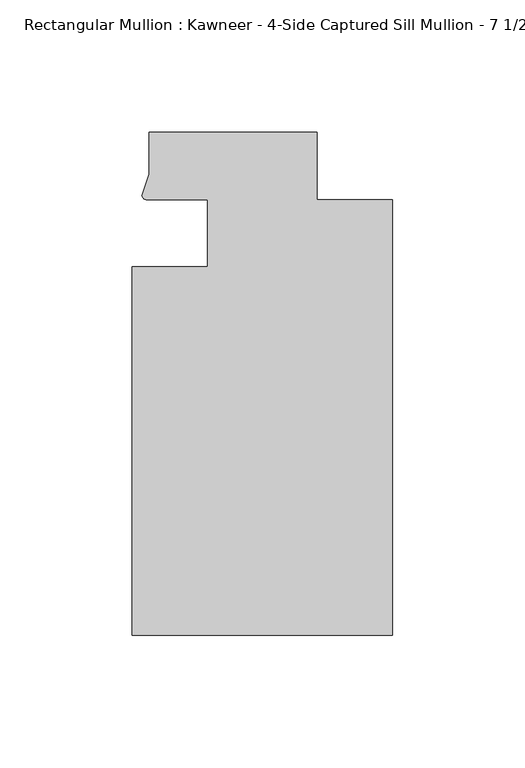
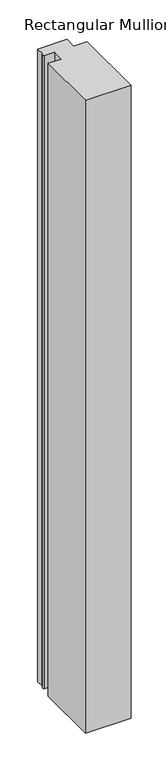
"""IFC4 building model written with IfcOpenShell, lengths in millimetres: member geometry."""

from ifc_helpers import new_model, si_unit, point, frame, frame_2d, origin, place, context, project, spatial, polyline, circle_curve, trimmed, segment, composite_curve, outline, extrude, source, transform, mapped, element, save


def member_8c2a8c44(model_context):
    return source(origin(), model_context, "Body", "SweptSolid", [
        extrude(outline(composite_curve([segment(polyline([(-69.85, -12.7), (-69.85, 12.700061), (-93.1091288, 12.700061)]), True, "CONTINUOUS"), segment(trimmed(circle_curve(frame_2d((-93.0262373, 14.401412)), 1.703369), [point((-93.1091288, 12.700061))], [point((-94.7258552, 14.2884292))], False, "CARTESIAN"), True, "CONTINUOUS"), segment(polyline([(-94.7258552, 14.2884292), (-92.075, 22.2250977), (-92.075, 38.1), (-28.575, 38.1), (-28.575, 12.7), (0.0, 12.7), (0.0, -151.892), (-98.425, -151.892), (-98.425, -12.7), (-69.85, -12.7)]), True, "CONTINUOUS")], self_intersect=False)), frame((0.0, 0.0, -1446.6651679), z_axis=(0.0, 0.0, 1.0), x_axis=(1.0, 0.0, 0.0)), (0.0, 0.0, 1.0), 1446.6651679),
    ])


if __name__ == "__main__":
    model = new_model("IFC4")
    model_context = context("Model", 3, world=origin())
    ifc_project = project(units=[si_unit("LENGTHUNIT", "METRE", prefix="MILLI")], contexts=[model_context])
    site = spatial("IfcSite", under=ifc_project)
    building = spatial("IfcBuilding", under=site)
    placement = place(None, origin())
    member_shape = member_8c2a8c44(model_context)
    element("IfcMember", 1, ObjectType="Rectangular Mullion : Kawneer - 4-Side Captured Sill Mullion - 7 1/2\"", at=placement, inside=building, context=model_context, shape_type="MappedRepresentation", body=[
        mapped(member_shape, transform((0.0, 0.0, 0.0), x_axis=(1.0, 0.0, 0.0), y_axis=(0.0, 1.0, 0.0), z_axis=(0.0, 0.0, 1.0))),
    ])
    save(model, "model.ifc")
